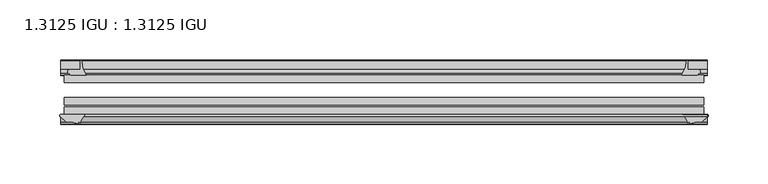
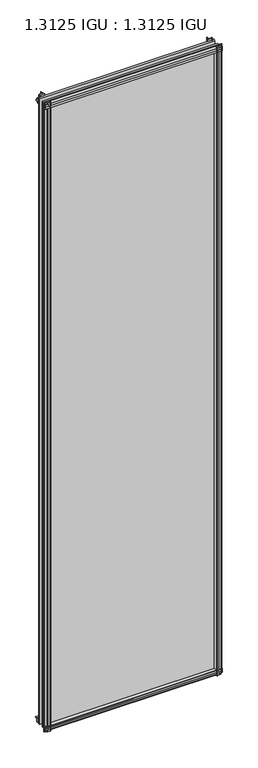
"""IFC4 building model written with IfcOpenShell, lengths in millimetres: plate geometry, 1.3125 IGU : 1.3125 IGU."""

from ifc_helpers import new_model, si_unit, point, frame, frame_2d, origin, place, context, project, spatial, polyline, circle_curve, trimmed, segment, composite_curve, outline, extrude, source, transform, mapped, element, save


def plate_1_3125_igu_1_3125_igu_70a394ad(model_context):
    return source(origin(), model_context, "Body", "SweptSolid", [
        extrude(outline(composite_curve([segment(polyline([(-22.094825, 0.0), (-22.094825, -9.916835)]), True, "CONTINUOUS"), segment(trimmed(circle_curve(frame_2d((-23.669625, -9.916835)), 1.5748), [point((-22.094825, -9.916835))], [point((-24.8706146, -10.9354709))], False, "CARTESIAN"), True, "CONTINUOUS"), segment(polyline([(-24.8706146, -10.9354709), (-26.590625, -8.9075484), (-26.590625, 4.0446407)]), True, "CONTINUOUS"), segment(trimmed(circle_curve(frame_2d((-7.1839113, 38.4138813)), 39.4698015), [point((-26.590625, 4.0446407))], [point((-19.4504626, 0.8985917))], True, "CARTESIAN"), True, "CONTINUOUS"), segment(polyline([(-19.4504626, 0.8985917), (-13.3986538, 0.0), (-22.094825, 0.0)]), True, "CONTINUOUS")], self_intersect=False)), frame((-271.0672856, 0.0, 0.0), z_axis=(1.0, 0.0, 0.0), x_axis=(0.0, 1.0, 0.0)), (0.0, 0.0, 1.0), 542.1345713),
        extrude(outline(composite_curve([segment(trimmed(circle_curve(frame_2d((-67.8737919, 9.6311377)), 10.5748618), [point((-66.062225, -0.7874))], [point((-59.712225, 2.9068141))], True, "CARTESIAN"), True, "CONTINUOUS"), segment(polyline([(-59.712225, 2.9068141), (-59.712225, -18.0442511)]), True, "CONTINUOUS"), segment(trimmed(circle_curve(frame_2d((-60.728225, -18.0442511)), 1.016), [point((-59.712225, -18.0442511))], [point((-61.4950672, -18.7107412))], False, "CARTESIAN"), True, "CONTINUOUS"), segment(polyline([(-61.4950672, -18.7107412), (-66.062225, -13.4559149), (-66.062225, -7.4520336), (-67.637025, -1.5748), (-66.062225, -1.5748), (-66.062225, -0.7874)]), True, "CONTINUOUS")], self_intersect=False)), frame((-271.0672856, 0.0, 0.0), z_axis=(1.0, 0.0, 0.0), x_axis=(0.0, 1.0, 0.0)), (0.0, 0.0, 1.0), 542.1345713),
        extrude(outline(composite_curve([segment(polyline([(-66.062225, 2013.6598774), (-61.4950672, 2018.9147037)]), True, "CONTINUOUS"), segment(trimmed(circle_curve(frame_2d((-60.728225, 2018.2482136)), 1.016), [point((-61.4950672, 2018.9147037))], [point((-59.712225, 2018.2482136))], False, "CARTESIAN"), True, "CONTINUOUS"), segment(polyline([(-59.712225, 2018.2482136), (-59.712225, 1997.7230921)]), True, "CONTINUOUS"), segment(trimmed(circle_curve(frame_2d((-66.4211348, 1992.0932283)), 8.7581298), [point((-59.712225, 1997.7230921))], [point((-66.062225, 2000.8440009))], True, "CARTESIAN"), True, "CONTINUOUS"), segment(polyline([(-66.062225, 2000.8440009), (-66.062225, 2001.7787625), (-67.637025, 2001.7787625), (-66.062225, 2007.6559961), (-66.062225, 2013.6598774)]), True, "CONTINUOUS")], self_intersect=False)), frame((-271.0672856, 0.0, 0.0), z_axis=(1.0, 0.0, 0.0), x_axis=(0.0, 1.0, 0.0)), (0.0, 0.0, 1.0), 542.1345713),
        extrude(outline(composite_curve([segment(polyline([(-26.590625, 1996.1593218), (-26.590625, 2009.1115109), (-24.8706146, 2011.1394334)]), True, "CONTINUOUS"), segment(trimmed(circle_curve(frame_2d((-23.669625, 2010.1207975)), 1.5748), [point((-24.8706146, 2011.1394334))], [point((-22.094825, 2010.1207975))], False, "CARTESIAN"), True, "CONTINUOUS"), segment(polyline([(-22.094825, 2010.1207975), (-22.094825, 2000.25), (-14.5883882, 2000.25), (-18.3240316, 1999.4633459)]), True, "CONTINUOUS"), segment(trimmed(circle_curve(frame_2d((-16.4585419, 1986.834903)), 12.7654855), [point((-18.3240316, 1999.4633459))], [point((-20.5939581, 1998.9119869))], True, "CARTESIAN"), True, "CONTINUOUS"), segment(trimmed(circle_curve(frame_2d((-7.1839113, 1961.7900812)), 39.4698015), [point((-20.5939581, 1998.9119869))], [point((-26.590625, 1996.1593218))], True, "CARTESIAN"), True, "CONTINUOUS")], self_intersect=False)), frame((-271.0672856, 0.0, 0.0), z_axis=(1.0, 0.0, 0.0), x_axis=(0.0, 1.0, 0.0)), (0.0, 0.0, 1.0), 542.1345713),
        extrude(outline(composite_curve([segment(polyline([(262.9063578, -26.590625), (249.9541687, -26.590625)]), True, "CONTINUOUS"), segment(trimmed(circle_curve(frame_2d((215.5849281, -7.1839113)), 39.4698015), [point((249.9541687, -26.590625))], [point((253.1002177, -19.4504626))], True, "CARTESIAN"), True, "CONTINUOUS"), segment(polyline([(253.1002177, -19.4504626), (253.7460927, -15.1006424)]), True, "CONTINUOUS"), segment(trimmed(circle_curve(frame_2d((254.5255781, -15.2120036)), 0.7874), [point((253.7460927, -15.1006424))], [point((254.7925594, -14.4712474))], False, "CARTESIAN"), True, "CONTINUOUS"), segment(polyline([(254.7925594, -14.4712474), (254.7925594, -22.094825), (263.9156444, -22.094825)]), True, "CONTINUOUS"), segment(trimmed(circle_curve(frame_2d((263.9156444, -23.669625)), 1.5748), [point((263.9156444, -22.094825))], [point((264.9342803, -24.8706146))], False, "CARTESIAN"), True, "CONTINUOUS"), segment(polyline([(264.9342803, -24.8706146), (262.9063578, -26.590625)]), True, "CONTINUOUS")], self_intersect=False)), frame((0.0, 0.0, -18.2728511), z_axis=(0.0, 0.0, 1.0), x_axis=(1.0, 0.0, 0.0)), (0.0, 0.0, 1.0), 2037.8352548),
        extrude(outline(composite_curve([segment(polyline([(250.6477842, -59.712225), (271.2082109, -59.712225)]), True, "CONTINUOUS"), segment(trimmed(circle_curve(frame_2d((271.2082109, -60.728225)), 1.016), [point((271.2082109, -59.712225))], [point((271.874701, -61.4950672))], False, "CARTESIAN"), True, "CONTINUOUS"), segment(polyline([(271.874701, -61.4950672), (266.6198747, -66.062225), (262.644643, -66.062225), (256.7674094, -67.637025), (256.7674094, -66.062225), (255.6770537, -66.062225)]), True, "CONTINUOUS"), segment(trimmed(circle_curve(frame_2d((255.6770537, -66.849625)), 0.7874), [point((255.6770537, -66.062225))], [point((254.8993479, -66.7264485))], True, "CARTESIAN"), True, "CONTINUOUS"), segment(trimmed(circle_curve(frame_2d((241.8340313, -69.8501675)), 13.4335445), [point((254.8993479, -66.7264485))], [point((250.6477842, -59.712225))], True, "CARTESIAN"), True, "CONTINUOUS")], self_intersect=False)), frame((0.0, 0.0, -18.2728511), z_axis=(0.0, 0.0, 1.0), x_axis=(1.0, 0.0, 0.0)), (0.0, 0.0, 1.0), 2037.8352548),
        extrude(outline(composite_curve([segment(polyline([(-253.7460927, -15.1006424), (-253.2716777, -18.2957187)]), True, "CONTINUOUS"), segment(trimmed(circle_curve(frame_2d((-240.7094045, -16.4304327)), 12.7), [point((-253.2716777, -18.2957187))], [point((-252.7229329, -20.5493081))], True, "CARTESIAN"), True, "CONTINUOUS"), segment(trimmed(circle_curve(frame_2d((-215.5849281, -7.1839113)), 39.4698015), [point((-252.7229329, -20.5493081))], [point((-249.9541687, -26.590625))], True, "CARTESIAN"), True, "CONTINUOUS"), segment(polyline([(-249.9541687, -26.590625), (-262.9063578, -26.590625), (-264.9342803, -24.8706146)]), True, "CONTINUOUS"), segment(trimmed(circle_curve(frame_2d((-263.9156444, -23.669625)), 1.5748), [point((-264.9342803, -24.8706146))], [point((-263.9156444, -22.094825))], False, "CARTESIAN"), True, "CONTINUOUS"), segment(polyline([(-263.9156444, -22.094825), (-254.7608094, -22.094825), (-254.7608094, -14.4605617)]), True, "CONTINUOUS"), segment(trimmed(circle_curve(frame_2d((-254.5255781, -15.2120036)), 0.7874), [point((-254.7608094, -14.4605617))], [point((-253.7460927, -15.1006424))], False, "CARTESIAN"), True, "CONTINUOUS")], self_intersect=False)), frame((0.0, 0.0, -18.2728511), z_axis=(0.0, 0.0, 1.0), x_axis=(1.0, 0.0, 0.0)), (0.0, 0.0, 1.0), 2038.1847648),
        extrude(outline(composite_curve([segment(trimmed(circle_curve(frame_2d((-241.8340313, -69.8501675)), 13.4335445), [point((-250.6477842, -59.712225))], [point((-254.8993479, -66.7264485))], True, "CARTESIAN"), True, "CONTINUOUS"), segment(trimmed(circle_curve(frame_2d((-255.6770537, -66.849625)), 0.7874), [point((-254.8993479, -66.7264485))], [point((-255.6770537, -66.062225))], True, "CARTESIAN"), True, "CONTINUOUS"), segment(polyline([(-255.6770537, -66.062225), (-256.7674094, -66.062225), (-256.7674094, -67.637025), (-262.644643, -66.062225), (-266.6198747, -66.062225), (-271.874701, -61.4950672)]), True, "CONTINUOUS"), segment(trimmed(circle_curve(frame_2d((-271.2082109, -60.728225)), 1.016), [point((-271.874701, -61.4950672))], [point((-271.2082109, -59.712225))], False, "CARTESIAN"), True, "CONTINUOUS"), segment(polyline([(-271.2082109, -59.712225), (-250.6477842, -59.712225)]), True, "CONTINUOUS")], self_intersect=False)), frame((0.0, 0.0, -18.2728511), z_axis=(0.0, 0.0, 1.0), x_axis=(1.0, 0.0, 0.0)), (0.0, 0.0, 1.0), 2038.1847648),
        extrude(outline(polyline([(-268.2863094, -26.590625), (268.2863094, -26.590625), (268.2863094, -32.889825), (-268.2863094, -32.889825), (-268.2863094, -26.590625)])), frame((0.0, 0.0, -12.8524), z_axis=(0.0, 0.0, 1.0), x_axis=(1.0, 0.0, 0.0)), (0.0, 0.0, 1.0), 2027.3438625),
        extrude(outline(polyline([(268.2863094, -45.589825), (268.2863094, -51.889025), (-268.2863094, -51.889025), (-268.2863094, -45.589825), (268.2863094, -45.589825)])), frame((0.0, 0.0, -12.8524), z_axis=(0.0, 0.0, 1.0), x_axis=(1.0, 0.0, 0.0)), (0.0, 0.0, 1.0), 2027.3438625),
        extrude(outline(polyline([(268.2863094, -53.413025), (268.2863094, -59.712225), (-268.2863094, -59.712225), (-268.2863094, -53.413025), (268.2863094, -53.413025)])), frame((0.0, 0.0, -12.8524), z_axis=(0.0, 0.0, 1.0), x_axis=(1.0, 0.0, 0.0)), (0.0, 0.0, 1.0), 2027.3438625),
    ])


if __name__ == "__main__":
    model = new_model("IFC4")
    model_context = context("Model", 3, world=origin())
    ifc_project = project(units=[si_unit("LENGTHUNIT", "METRE", prefix="MILLI")], contexts=[model_context])
    site = spatial("IfcSite", under=ifc_project)
    building = spatial("IfcBuilding", under=site)
    placement = place(None, origin())
    plate_1_3125_igu_1_3125_igu_shape = plate_1_3125_igu_1_3125_igu_70a394ad(model_context)
    element("IfcPlate", 1, ObjectType="1.3125 IGU : 1.3125 IGU", at=placement, inside=building, context=model_context, shape_type="MappedRepresentation", body=[
        mapped(plate_1_3125_igu_1_3125_igu_shape, transform((0.0, 0.0, 0.0), x_axis=(1.0, 0.0, 0.0), y_axis=(0.0, 1.0, 0.0), z_axis=(0.0, 0.0, 1.0))),
    ])
    save(model, "model.ifc")
